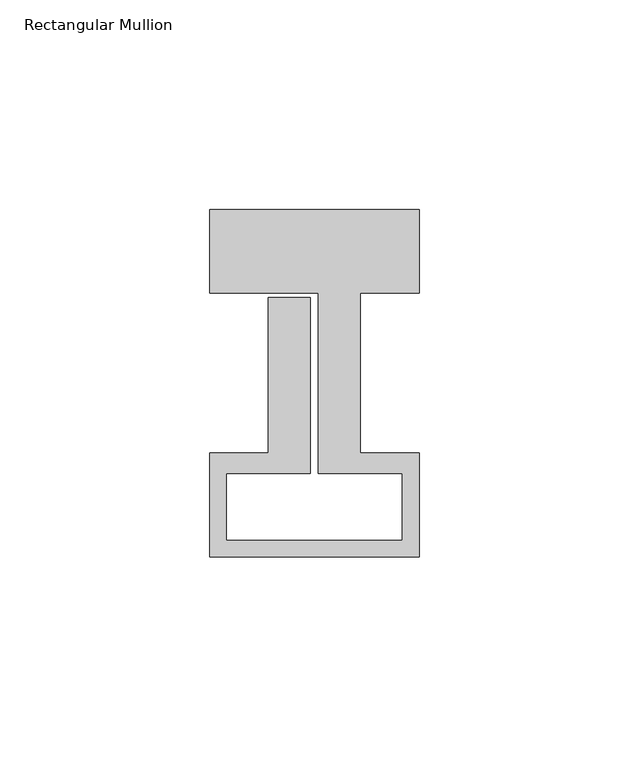
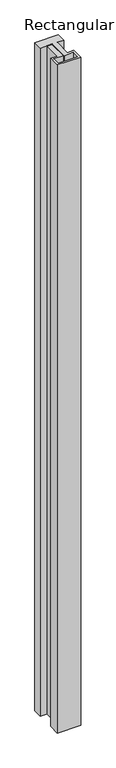
"""IFC4 building model written with IfcOpenShell, lengths in millimetres: member geometry, Rectangular Mullion."""

from ifc_helpers import new_model, si_unit, frame, origin, place, context, project, spatial, polyline, outline, extrude, source, transform, mapped, element, save


def rectangular_mullion_c8bee8b1(model_context):
    return source(origin(), model_context, "Body", "SweptSolid", [
        extrude(outline(polyline([(0.0, 58.0), (0.0, 38.0), (-14.0, 38.0), (-14.0, -0.1), (0.0, -0.1), (0.0, -25.0), (-50.0, -25.0), (-50.0, -0.1), (-36.0, -0.1), (-36.0, 37.0), (-26.0, 37.0), (-26.0, -5.0), (-46.0, -5.0), (-46.0, -21.0), (-4.0, -21.0), (-4.0, -5.0), (-24.0, -5.0), (-24.0, 38.0), (-50.0, 38.0), (-50.0, 58.0), (0.0, 58.0)])), frame((0.0, 0.0, -1510.0), z_axis=(0.0, 0.0, 1.0), x_axis=(1.0, 0.0, 0.0)), (0.0, 0.0, 1.0), 1510.0),
    ])


if __name__ == "__main__":
    model = new_model("IFC4")
    model_context = context("Model", 3, world=origin())
    ifc_project = project(units=[si_unit("LENGTHUNIT", "METRE", prefix="MILLI")], contexts=[model_context])
    site = spatial("IfcSite", under=ifc_project)
    building = spatial("IfcBuilding", under=site)
    placement = place(None, origin())
    rectangular_mullion_shape = rectangular_mullion_c8bee8b1(model_context)
    element("IfcMember", 1, ObjectType="Rectangular Mullion", at=placement, inside=building, context=model_context, shape_type="MappedRepresentation", body=[
        mapped(rectangular_mullion_shape, transform((0.0, 0.0, 0.0), x_axis=(1.0, 0.0, 0.0), y_axis=(0.0, 1.0, 0.0), z_axis=(0.0, 0.0, 1.0))),
    ])
    save(model, "model.ifc")
